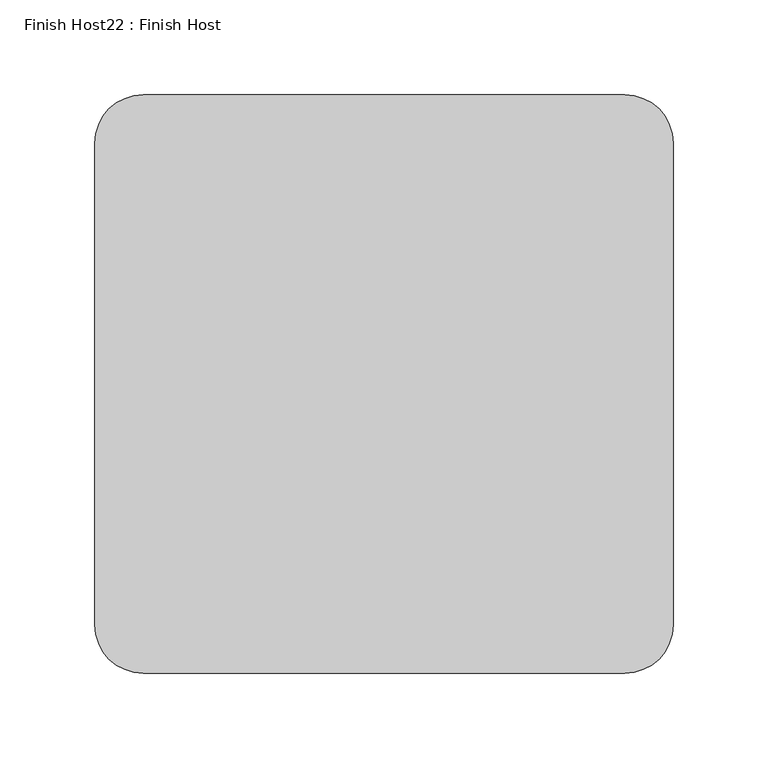
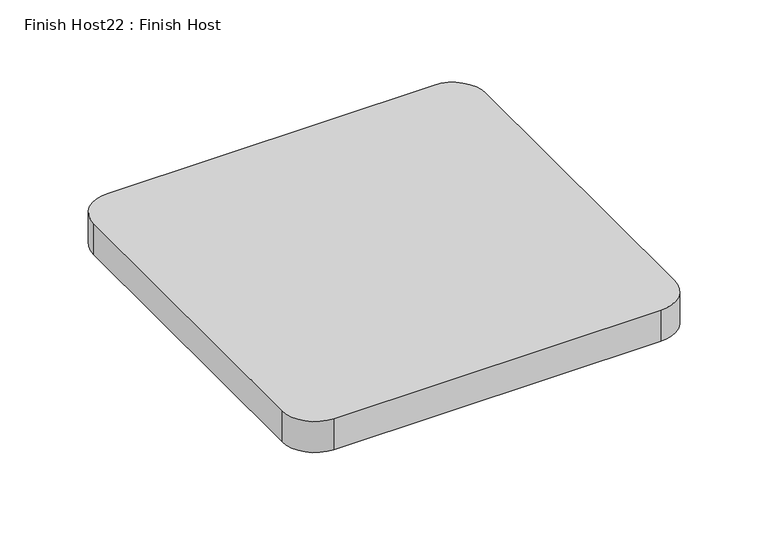
"""IFC4 building model written with IfcOpenShell, lengths in millimetres: proxy geometry, Finish Host22 : Finish Host."""

from ifc_helpers import new_model, si_unit, point, frame_2d, origin, origin_with_axes, place, context, project, spatial, polyline, circle_curve, trimmed, segment, composite_curve, outline, extrude, source, transform, mapped, element, save


def finish_host22_finish_host_b5e77172(model_context):
    return source(origin(), model_context, "Body", "SweptSolid", [
        extrude(outline(composite_curve([segment(polyline([(1368.8934426, 1867.2122951), (1368.8934426, 2121.2122951)]), True, "CONTINUOUS"), segment(trimmed(circle_curve(frame_2d((1394.2934426, 2121.2122951)), 25.4), [point((1368.8934426, 2121.2122951))], [point((1394.2934426, 2146.6122951))], False, "CARTESIAN"), True, "CONTINUOUS"), segment(polyline([(1394.2934426, 2146.6122951), (1648.2934426, 2146.6122951)]), True, "CONTINUOUS"), segment(trimmed(circle_curve(frame_2d((1648.2934426, 2121.2122951)), 25.4), [point((1648.2934426, 2146.6122951))], [point((1673.6934426, 2121.2122951))], False, "CARTESIAN"), True, "CONTINUOUS"), segment(polyline([(1673.6934426, 2121.2122951), (1673.6934426, 1867.2122951)]), True, "CONTINUOUS"), segment(trimmed(circle_curve(frame_2d((1648.2934426, 1867.2122951)), 25.4), [point((1673.6934426, 1867.2122951))], [point((1648.2934426, 1841.8122951))], False, "CARTESIAN"), True, "CONTINUOUS"), segment(polyline([(1648.2934426, 1841.8122951), (1394.2934426, 1841.8122951)]), True, "CONTINUOUS"), segment(trimmed(circle_curve(frame_2d((1394.2934426, 1867.2122951)), 25.4), [point((1394.2934426, 1841.8122951))], [point((1368.8934426, 1867.2122951))], False, "CARTESIAN"), True, "CONTINUOUS")], self_intersect=False)), origin_with_axes(), (0.0, 0.0, 1.0), 25.4),
    ])


if __name__ == "__main__":
    model = new_model("IFC4")
    model_context = context("Model", 3, world=origin())
    ifc_project = project(units=[si_unit("LENGTHUNIT", "METRE", prefix="MILLI")], contexts=[model_context])
    site = spatial("IfcSite", under=ifc_project)
    building = spatial("IfcBuilding", under=site)
    placement = place(None, origin())
    finish_host22_finish_host_shape = finish_host22_finish_host_b5e77172(model_context)
    element("IfcBuildingElementProxy", 1, Name="Finish Host22 : Finish Host", ObjectType="Finish Host22 : Finish Host", at=placement, inside=building, context=model_context, shape_type="MappedRepresentation", body=[
        mapped(finish_host22_finish_host_shape, transform((0.0, 0.0, 0.0), x_axis=(1.0, 0.0, 0.0), y_axis=(0.0, 1.0, 0.0), z_axis=(0.0, 0.0, 1.0))),
    ])
    save(model, "model.ifc")
